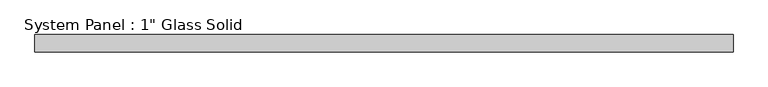
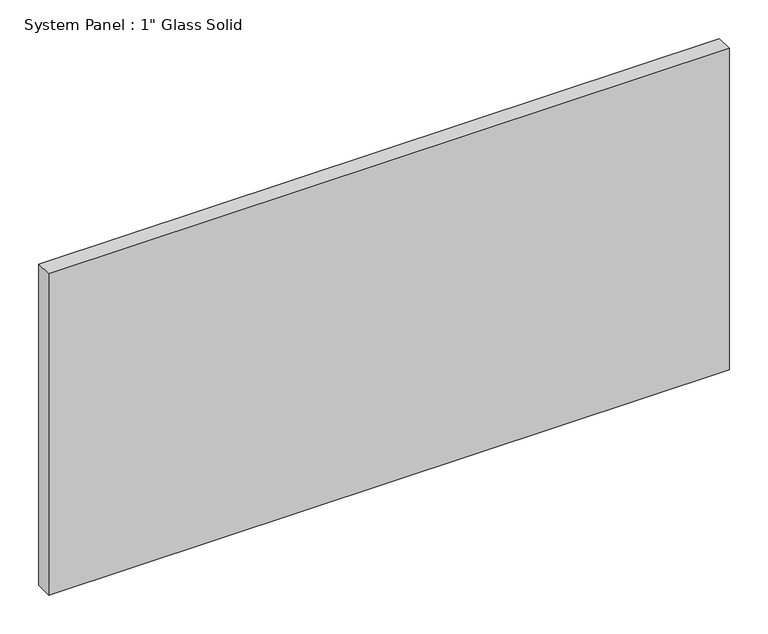
"""IFC4 building model written with IfcOpenShell, lengths in millimetres: plate geometry."""

from ifc_helpers import new_model, si_unit, origin, origin_with_axes, place, context, project, spatial, polyline, outline, extrude, source, transform, mapped, element, save


def plate_7a2941fb(model_context):
    return source(origin(), model_context, "Body", "SweptSolid", [
        extrude(outline(polyline([(507.4708333, -12.7), (-507.4708333, -12.7), (-507.4708333, 12.7), (507.4708333, 12.7), (507.4708333, -12.7)])), origin_with_axes(), (0.0, 0.0, 1.0), 506.4125),
    ])


if __name__ == "__main__":
    model = new_model("IFC4")
    model_context = context("Model", 3, world=origin())
    ifc_project = project(units=[si_unit("LENGTHUNIT", "METRE", prefix="MILLI")], contexts=[model_context])
    site = spatial("IfcSite", under=ifc_project)
    building = spatial("IfcBuilding", under=site)
    placement = place(None, origin())
    plate_shape = plate_7a2941fb(model_context)
    element("IfcPlate", 1, ObjectType="System Panel : 1\" Glass Solid", at=placement, inside=building, context=model_context, shape_type="MappedRepresentation", body=[
        mapped(plate_shape, transform((0.0, 0.0, 0.0), x_axis=(1.0, 0.0, 0.0), y_axis=(0.0, 1.0, 0.0), z_axis=(0.0, 0.0, 1.0))),
    ])
    save(model, "model.ifc")
